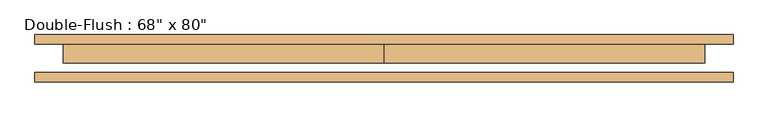
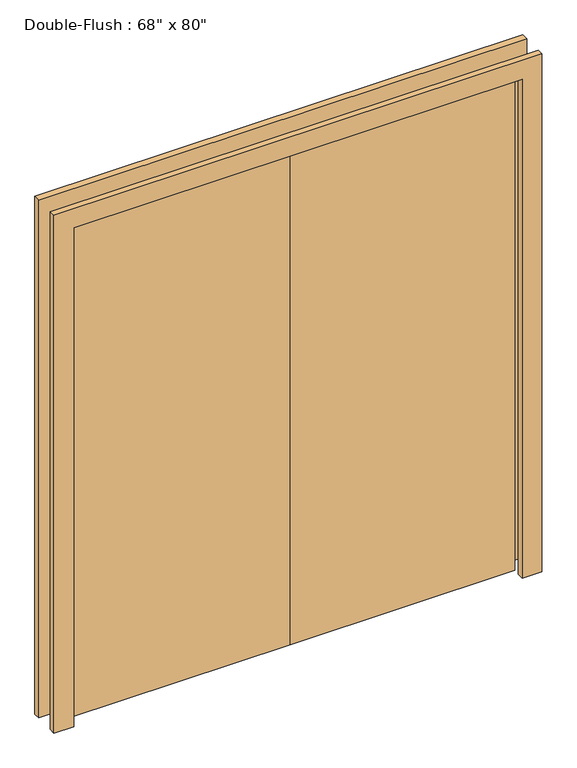
"""IFC4 building model written with IfcOpenShell, lengths in millimetres: door geometry."""

from ifc_helpers import new_model, si_unit, frame, origin, origin_with_axes, place, context, project, spatial, polyline, outline, extrude, source, transform, mapped, element, save


def door_dd300954(model_context):
    return source(origin(), model_context, "Body", "SweptSolid", [
        extrude(outline(polyline([(0.0, 38.1), (863.6, 38.1), (863.6, -12.7), (0.0, -12.7), (0.0, 38.1)])), origin_with_axes(), (0.0, 0.0, 1.0), 2032.0),
        extrude(outline(polyline([(-863.6, 38.1), (0.0, 38.1), (0.0, -12.7), (-863.6, -12.7), (-863.6, 38.1)])), origin_with_axes(), (0.0, 0.0, 1.0), 2032.0),
        extrude(outline(polyline([(2032.0, -863.6), (2032.0, 863.6), (0.0, 863.6), (0.0, 939.8), (2108.2, 939.8), (2108.2, -939.8), (0.0, -939.8), (0.0, -863.6), (2032.0, -863.6)])), frame((0.0, -63.5, 0.0), z_axis=(0.0, 1.0, 0.0), x_axis=(0.0, 0.0, 1.0)), (0.0, 0.0, 1.0), 25.4),
        extrude(outline(polyline([(2032.0, -863.6), (2032.0, 863.6), (0.0, 863.6), (0.0, 939.8), (2108.2, 939.8), (2108.2, -939.8), (0.0, -939.8), (0.0, -863.6), (2032.0, -863.6)])), frame((0.0, 38.1, 0.0), z_axis=(0.0, 1.0, 0.0), x_axis=(0.0, 0.0, 1.0)), (0.0, 0.0, 1.0), 25.4),
    ])


if __name__ == "__main__":
    model = new_model("IFC4")
    model_context = context("Model", 3, world=origin())
    ifc_project = project(units=[si_unit("LENGTHUNIT", "METRE", prefix="MILLI")], contexts=[model_context])
    site = spatial("IfcSite", under=ifc_project)
    building = spatial("IfcBuilding", under=site)
    placement = place(None, origin())
    door_shape = door_dd300954(model_context)
    element("IfcDoor", 1, ObjectType="Double-Flush : 68\" x 80\"", at=placement, inside=building, context=model_context, shape_type="MappedRepresentation", body=[
        mapped(door_shape, transform((0.0, 0.0, 0.0), x_axis=(1.0, 0.0, 0.0), y_axis=(0.0, 1.0, 0.0), z_axis=(0.0, 0.0, 1.0))),
    ])
    save(model, "model.ifc")
